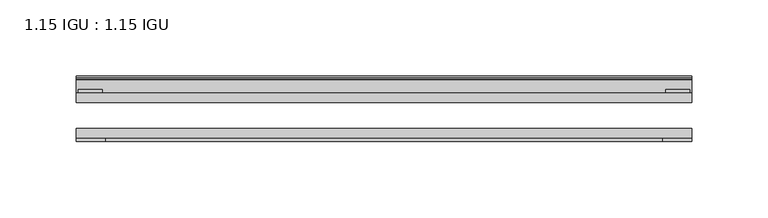
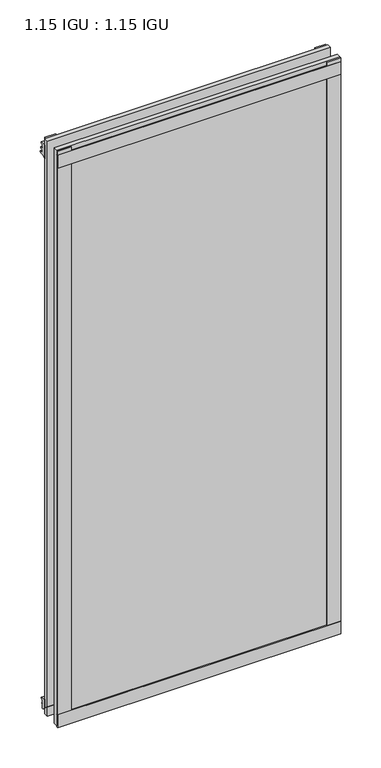
"""IFC4 building model written with IfcOpenShell, lengths in millimetres: plate geometry, 1.15 IGU : 1.15 IGU."""

from ifc_helpers import new_model, si_unit, point, frame, frame_2d, origin, place, context, project, spatial, polyline, circle_curve, trimmed, segment, composite_curve, outline, extrude, source, transform, mapped, element, save


def plate_1_15_igu_1_15_igu_03f89a8d(model_context):
    return source(origin(), model_context, "Body", "SweptSolid", [
        extrude(outline(polyline([(201.856492, 0.0), (201.856492, -6.2992), (-201.856492, -6.2992), (-201.856492, 0.0), (201.856492, 0.0)])), frame((0.0, 0.0, -17.4498), z_axis=(0.0, 0.0, 1.0), x_axis=(1.0, 0.0, 0.0)), (0.0, 0.0, 1.0), 868.3366072),
        extrude(outline(polyline([(-201.856492, -23.1648), (201.856492, -23.1648), (201.856492, -29.464), (-201.856492, -29.464), (-201.856492, -23.1648)])), frame((0.0, 0.0, -17.4498), z_axis=(0.0, 0.0, 1.0), x_axis=(1.0, 0.0, 0.0)), (0.0, 0.0, 1.0), 868.3366072),
        extrude(outline(polyline([(-201.856492, -31.75), (-201.856492, -29.464), (201.856492, -29.464), (201.856492, -31.75), (-201.856492, -31.75)])), frame((0.0, 0.0, -19.05), z_axis=(0.0, 0.0, 1.0), x_axis=(1.0, 0.0, 0.0)), (0.0, 0.0, 1.0), 19.05),
        extrude(outline(composite_curve([segment(trimmed(circle_curve(frame_2d((13.6593785, 32.4202472)), 31.3046461), [point((0.0, 4.2528503))], [point((9.3980339, 1.406995))], True, "CARTESIAN"), True, "CONTINUOUS"), segment(polyline([(9.3980339, 1.406995), (9.3980339, 0.0254), (6.35, 0.0254), (6.35, -5.1625788), (7.7309478, -5.3970663), (6.35, -8.0073788), (6.35, -11.8471127)]), True, "CONTINUOUS"), segment(trimmed(circle_curve(frame_2d((5.334, -11.8471127)), 1.016), [point((6.35, -11.8471127))], [point((4.6284878, -12.5782136))], False, "CARTESIAN"), True, "CONTINUOUS"), segment(trimmed(circle_curve(frame_2d((-23.3689302, -41.5910901)), 40.3187601), [point((4.6284878, -12.5782136))], [point((0.0, -8.735413))], True, "CARTESIAN"), True, "CONTINUOUS"), segment(polyline([(0.0, -8.735413), (0.0, 4.2528503)]), True, "CONTINUOUS")], self_intersect=False)), frame((-201.856492, 0.0, 0.0), z_axis=(1.0, 0.0, 0.0), x_axis=(0.0, 1.0, 0.0)), (0.0, 0.0, 1.0), 403.712984),
        extrude(outline(composite_curve([segment(polyline([(8.509, 840.7300284), (8.509, 838.6980284), (6.35, 838.6980284), (6.35, 833.3640284), (8.9492698, 833.3640284)]), True, "CONTINUOUS"), segment(trimmed(circle_curve(frame_2d((8.208689, 831.8368072)), 1.697311), [point((8.9492698, 833.3640284))], [point((8.962411, 830.3160284))], False, "CARTESIAN"), True, "CONTINUOUS"), segment(polyline([(8.962411, 830.3160284), (6.35, 830.3160284), (6.35, 825.4868072), (11.1252, 825.4868072), (11.1252, 824.5978072)]), True, "CONTINUOUS"), segment(trimmed(circle_curve(frame_2d((10.1092, 824.5978072)), 1.016), [point((11.1252, 824.5978072))], [point((10.1092, 823.5818072))], False, "CARTESIAN"), True, "CONTINUOUS"), segment(trimmed(circle_curve(frame_2d((10.1092, 804.1707318)), 19.4110754), [point((10.1092, 823.5818072))], [point((0.0, 820.7416075))], True, "CARTESIAN"), True, "CONTINUOUS"), segment(polyline([(0.0, 820.7416075), (0.0, 840.7300284), (8.509, 840.7300284)]), True, "CONTINUOUS")], self_intersect=False)), frame((-201.856492, 0.0, 0.0), z_axis=(1.0, 0.0, 0.0), x_axis=(0.0, 1.0, 0.0)), (0.0, 0.0, 1.0), 403.712984),
        extrude(outline(polyline([(-201.856492, -31.75), (-201.856492, -29.464), (201.856492, -29.464), (201.856492, -31.75), (-201.856492, -31.75)])), frame((0.0, 0.0, 825.4868072), z_axis=(0.0, 0.0, 1.0), x_axis=(1.0, 0.0, 0.0)), (0.0, 0.0, 1.0), 19.05),
        extrude(outline(polyline([(182.806492, -29.464), (201.856492, -29.464), (201.856492, -31.75), (182.806492, -31.75), (182.806492, -29.464)])), frame((0.0, 0.0, -17.4498), z_axis=(0.0, 0.0, 1.0), x_axis=(1.0, 0.0, 0.0)), (0.0, 0.0, 1.0), 868.3366072),
        extrude(outline(polyline([(200.649992, 2.2860088), (200.649992, 0.0021347), (184.774992, 0.0021347), (184.774992, 2.2860088), (200.649992, 2.2860088)])), frame((0.0, 0.0, -17.4498), z_axis=(0.0, 0.0, 1.0), x_axis=(1.0, 0.0, 0.0)), (0.0, 0.0, 1.0), 868.3366072),
        extrude(outline(polyline([(-201.856492, -31.75), (-201.856492, -29.464), (-182.806492, -29.464), (-182.806492, -31.75), (-201.856492, -31.75)])), frame((0.0, 0.0, -17.4498), z_axis=(0.0, 0.0, 1.0), x_axis=(1.0, 0.0, 0.0)), (0.0, 0.0, 1.0), 868.3366072),
        extrude(outline(polyline([(-200.649992, 0.0), (-200.649992, 2.286), (-184.774992, 2.286), (-184.774992, 0.0), (-200.649992, 0.0)])), frame((0.0, 0.0, -17.4498), z_axis=(0.0, 0.0, 1.0), x_axis=(1.0, 0.0, 0.0)), (0.0, 0.0, 1.0), 868.3366072),
    ])


if __name__ == "__main__":
    model = new_model("IFC4")
    model_context = context("Model", 3, world=origin())
    ifc_project = project(units=[si_unit("LENGTHUNIT", "METRE", prefix="MILLI")], contexts=[model_context])
    site = spatial("IfcSite", under=ifc_project)
    building = spatial("IfcBuilding", under=site)
    placement = place(None, origin())
    plate_1_15_igu_1_15_igu_shape = plate_1_15_igu_1_15_igu_03f89a8d(model_context)
    element("IfcPlate", 1, ObjectType="1.15 IGU : 1.15 IGU", at=placement, inside=building, context=model_context, shape_type="MappedRepresentation", body=[
        mapped(plate_1_15_igu_1_15_igu_shape, transform((0.0, 0.0, 0.0), x_axis=(1.0, 0.0, 0.0), y_axis=(0.0, 1.0, 0.0), z_axis=(0.0, 0.0, 1.0))),
    ])
    save(model, "model.ifc")
